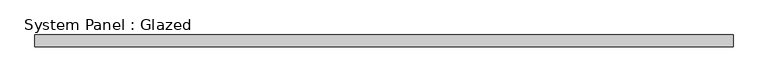
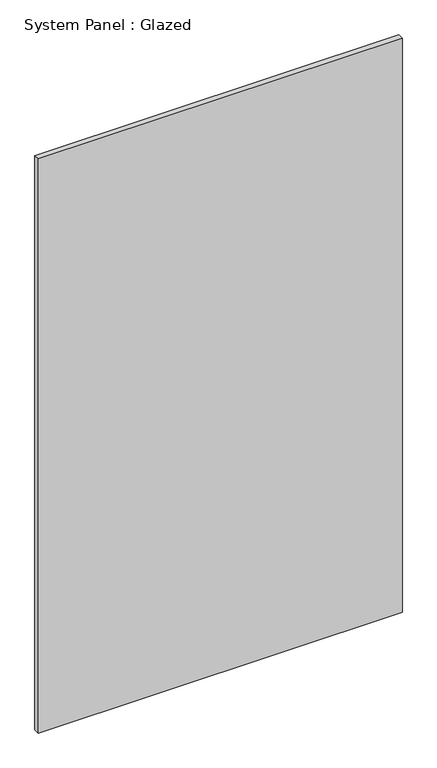
"""IFC4 building model written with IfcOpenShell, lengths in millimetres: plate geometry, System Panel : Glazed."""

from ifc_helpers import new_model, si_unit, origin, origin_with_axes, place, context, project, spatial, polyline, outline, extrude, source, transform, mapped, element, save


def system_panel_glazed_328a1fc4(model_context):
    return source(origin(), model_context, "Body", "SweptSolid", [
        extrude(outline(polyline([(750.0, -49.5), (-750.0, -49.5), (-750.0, -24.5), (750.0, -24.5), (750.0, -49.5)])), origin_with_axes(), (0.0, 0.0, 1.0), 2500.0),
    ])


if __name__ == "__main__":
    model = new_model("IFC4")
    model_context = context("Model", 3, world=origin())
    ifc_project = project(units=[si_unit("LENGTHUNIT", "METRE", prefix="MILLI")], contexts=[model_context])
    site = spatial("IfcSite", under=ifc_project)
    building = spatial("IfcBuilding", under=site)
    placement = place(None, origin())
    system_panel_glazed_shape = system_panel_glazed_328a1fc4(model_context)
    element("IfcPlate", 1, ObjectType="System Panel : Glazed", at=placement, inside=building, context=model_context, shape_type="MappedRepresentation", body=[
        mapped(system_panel_glazed_shape, transform((0.0, 0.0, 0.0), x_axis=(1.0, 0.0, 0.0), y_axis=(0.0, 1.0, 0.0), z_axis=(0.0, 0.0, 1.0))),
    ])
    save(model, "model.ifc")
